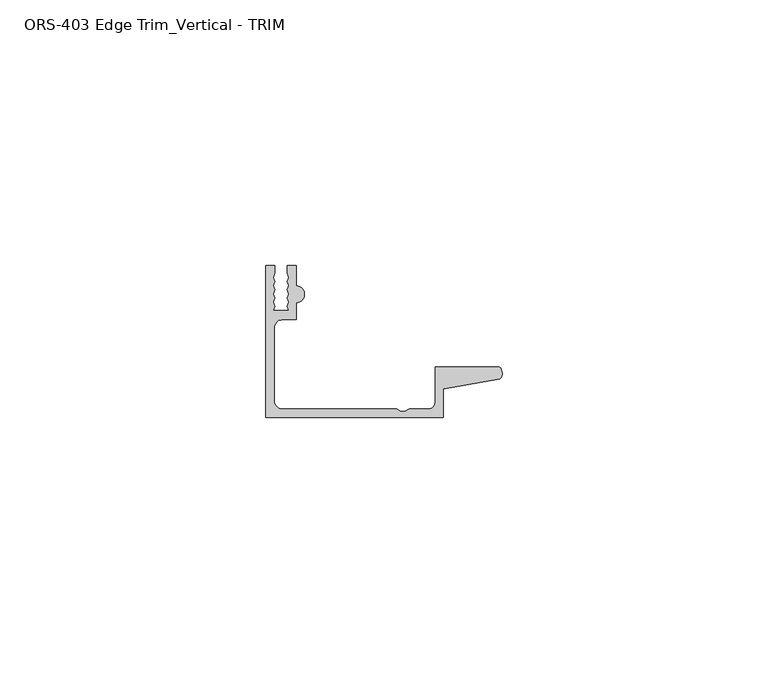
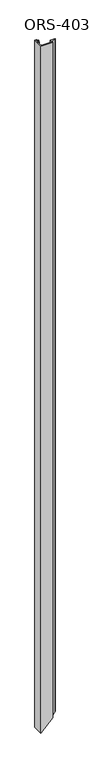
"""IFC4 building model written with IfcOpenShell, lengths in millimetres: proxy geometry, ORS-403 Edge Trim_Vertical - TRIM."""

from ifc_helpers import new_model, si_unit, frame, origin, place, context, project, spatial, polyline, circle_curve, ellipse_curve, source, transform, mapped, element, save
from ifc_brep_helpers import plane_surface, cylinder_surface, revolved_surface, advanced_brep


def ors_403_edge_trim_vertical_trim_db41b70e(model_context):
    return source(origin(), model_context, "Body", "AdvancedBrep", [
        advanced_brep(
        [(0.0, -19.6849659, 2004.3179687), (33.4151698, -19.6849659, 2004.3179687), (33.4151698, -14.292309, 2004.3179687), (43.9912567, -12.4813352, 2004.3179687), (43.9251729, -10.1599659, 2004.3179687), (31.8403698, -10.1599659, 2004.3179687), (31.8403698, -16.8401659, 2004.3179687), (30.5703698, -18.1101659, 2004.3179687), (26.9486086, -18.1101659, 2004.3179687), (26.1600648, -18.5286393, 2004.3179687), (25.3762055, -18.5286393, 2004.3179687), (24.5876618, -18.1101659, 2004.3179687), (3.1623, -18.1101659, 2004.3179687), (1.5748, -16.5226659, 2004.3179687), (1.5748, -2.8574659, 2004.3179687), (3.1623, -1.2699659, 2004.3179687), (5.6896, -1.2699659, 2004.3179687), (5.6896, 1.9177341, 2004.3179687), (5.6896, 5.0673341, 2004.3179687), (5.6896, 8.8900341, 2004.3179687), (4.0500705, 8.8900341, 2004.3179687), (4.0500705, 7.4768015, 2004.3179687), (4.3039002, 6.695594, 2004.3179687), (4.0500705, 5.9143865, 2004.3179687), (4.3039002, 5.133179, 2004.3179687), (4.0500705, 4.3519716, 2004.3179687), (4.3039002, 3.5707641, 2004.3179687), (4.0500705, 2.7895566, 2004.3179687), (4.3039002, 2.0083491, 2004.3179687), (4.0500705, 1.2271416, 2004.3179687), (4.3039002, 0.4459342, 2004.3179687), (1.3857004, 0.4459342, 2004.3179687), (1.6395301, 1.2271416, 2004.3179687), (1.3857004, 2.0083491, 2004.3179687), (1.6395301, 2.7895566, 2004.3179687), (1.3857004, 3.5707641, 2004.3179687), (1.6395301, 4.3519716, 2004.3179687), (1.3857004, 5.133179, 2004.3179687), (1.6395301, 5.9143865, 2004.3179687), (1.3857004, 6.695594, 2004.3179687), (1.6395301, 7.4768015, 2004.3179687), (1.6395301, 8.8900341, 2004.3179687), (0.0, 8.8900341, 2004.3179687), (0.0, 8.8900341, 0.0), (0.0, -19.6849659, 0.0), (1.6395301, 8.8900341, 1.6395301), (1.6395301, 7.4768015, 1.6395301), (1.3857004, 6.695594, 1.3857004), (1.6395301, 5.9143865, 1.6395301), (1.3857004, 5.133179, 1.3857004), (1.6395301, 4.3519716, 1.6395301), (1.3857004, 3.5707641, 1.3857004), (1.6395301, 2.7895566, 1.6395301), (1.3857004, 2.0083491, 1.3857004), (1.6395301, 1.2271416, 1.6395301), (1.3857004, 0.4459342, 1.3857004), (4.3039002, 0.4459342, 4.3039002), (4.0500705, 1.2271416, 4.0500705), (4.3039002, 2.0083491, 4.3039002), (4.0500705, 2.7895566, 4.0500705), (4.3039002, 3.5707641, 4.3039002), (4.0500705, 4.3519716, 4.0500705), (4.3039002, 5.133179, 4.3039002), (4.0500705, 5.9143865, 4.0500705), (4.3039002, 6.695594, 4.3039002), (4.0500705, 7.4768015, 4.0500705), (4.0500705, 8.8900341, 4.0500705), (5.6896, 8.8900341, 5.6896), (5.6896, 5.0673341, 5.6896), (5.6896, 1.9177341, 5.6896), (5.6896, -1.2699659, 5.6896), (3.1623, -1.2699659, 3.1623), (1.5748, -2.8574659, 1.5748), (1.5748, -16.5226659, 1.5748), (3.1623, -18.1101659, 3.1623), (24.5876618, -18.1101659, 24.5876618), (25.3762055, -18.5286393, 25.3762055), (26.1600648, -18.5286393, 26.1600648), (26.9486086, -18.1101659, 26.9486086), (30.5703698, -18.1101659, 30.5703698), (31.8403698, -16.8401659, 31.8403698), (31.8403698, -10.1599659, 31.8403698), (43.9251729, -10.1599659, 43.9251729), (43.9912567, -12.4813352, 43.9912567), (33.4151698, -14.292309, 33.4151698), (33.4151698, -19.6849659, 33.4151698)],
        [
            (0, 1),
            (1, 2),
            (2, 3),
            (3, 4, circle_curve(frame((42.8344152, -11.3526424, 2004.3179687), z_axis=(0.0, 0.0, 1.0), x_axis=(1.0, 0.0, 0.0)), 1.6162393)),
            (4, 5),
            (5, 6),
            (6, 7, circle_curve(frame((30.5703698, -16.8401659, 2004.3179687), z_axis=(0.0, 0.0, -1.0), x_axis=(1.0, 0.0, 0.0)), 1.27)),
            (7, 8),
            (8, 9),
            (9, 10),
            (10, 11),
            (11, 12),
            (12, 13, circle_curve(frame((3.1623, -16.5226659, 2004.3179687), z_axis=(0.0, 0.0, -1.0), x_axis=(1.0, 0.0, 0.0)), 1.5875)),
            (13, 14),
            (14, 15, circle_curve(frame((3.1623, -2.8574659, 2004.3179687), z_axis=(0.0, 0.0, -1.0), x_axis=(1.0, 0.0, 0.0)), 1.5875)),
            (15, 16),
            (16, 17),
            (17, 18, circle_curve(frame((5.6896, 3.4925341, 2004.3179687), z_axis=(0.0, 0.0, 1.0), x_axis=(1.0, 0.0, 0.0)), 1.5748)),
            (18, 19),
            (19, 20),
            (20, 21),
            (21, 22),
            (22, 23),
            (23, 24),
            (24, 25),
            (25, 26),
            (26, 27),
            (27, 28),
            (28, 29),
            (29, 30),
            (30, 31),
            (31, 32),
            (32, 33),
            (33, 34),
            (34, 35),
            (35, 36),
            (36, 37),
            (37, 38),
            (38, 39),
            (39, 40),
            (40, 41),
            (41, 42),
            (42, 0),
            (42, 43),
            (43, 44),
            (44, 0),
            (41, 45),
            (45, 43),
            (40, 46),
            (46, 45),
            (39, 47),
            (47, 46),
            (38, 48),
            (48, 47),
            (37, 49),
            (49, 48),
            (36, 50),
            (50, 49),
            (35, 51),
            (51, 50),
            (34, 52),
            (52, 51),
            (33, 53),
            (53, 52),
            (32, 54),
            (54, 53),
            (31, 55),
            (55, 54),
            (30, 56),
            (56, 55),
            (29, 57),
            (57, 56),
            (28, 58),
            (58, 57),
            (27, 59),
            (59, 58),
            (26, 60),
            (60, 59),
            (25, 61),
            (61, 60),
            (24, 62),
            (62, 61),
            (23, 63),
            (63, 62),
            (22, 64),
            (64, 63),
            (21, 65),
            (65, 64),
            (20, 66),
            (66, 65),
            (19, 67),
            (67, 66),
            (18, 68),
            (68, 67),
            (17, 69),
            (69, 68, ellipse_curve(frame((5.6896, 3.4925341, 5.6896), z_axis=(-0.7071067811865469, 0.0, 0.7071067811865481), x_axis=(0.7071067811865481, 0.0, 0.7071067811865469)), 2.2271035, 1.5748)),
            (16, 70),
            (70, 69),
            (15, 71),
            (71, 70),
            (14, 72),
            (72, 71, ellipse_curve(frame((3.1623, -2.8574659, 3.1623), z_axis=(0.7071067811865469, 0.0, -0.7071067811865481), x_axis=(-0.7071067811865481, 0.0, -0.7071067811865469)), 2.245064, 1.5875)),
            (13, 73),
            (73, 72),
            (12, 74),
            (74, 73, ellipse_curve(frame((3.1623, -16.5226659, 3.1623), z_axis=(0.7071067811865469, 0.0, -0.7071067811865481), x_axis=(-0.7071067811865481, 0.0, -0.7071067811865469)), 2.245064, 1.5875)),
            (11, 75),
            (75, 74),
            (10, 76),
            (76, 75),
            (9, 77),
            (77, 76),
            (8, 78),
            (78, 77),
            (7, 79),
            (79, 78),
            (6, 80),
            (80, 79, ellipse_curve(frame((30.5703698, -16.8401659, 30.5703698), z_axis=(0.7071067811865469, 0.0, -0.7071067811865481), x_axis=(-0.7071067811865481, 0.0, -0.7071067811865469)), 1.7960512, 1.27)),
            (5, 81),
            (81, 80),
            (4, 82),
            (82, 81),
            (3, 83),
            (83, 82, ellipse_curve(frame((42.8344152, -11.3526424, 42.8344152), z_axis=(-0.7071067811865469, 0.0, 0.7071067811865481), x_axis=(0.7071067811865481, 0.0, 0.7071067811865469)), 2.2857076, 1.6162393)),
            (2, 84),
            (84, 83),
            (1, 85),
            (85, 84),
            (44, 85),
        ],
        [
            plane_surface(frame((0.0, 8.8900341, 2004.3179687), z_axis=(0.0, 0.0, 1.0), x_axis=(0.0, 1.0, 0.0))),
            plane_surface(frame((0.0, -19.6849659, 2004.3179687), z_axis=(-1.0, 0.0, 0.0), x_axis=(0.0, 0.0, -1.0))),
            plane_surface(frame((0.0, 8.8900341, 2004.3179687), z_axis=(0.0, 1.0, 0.0), x_axis=(0.0, 0.0, -1.0))),
            plane_surface(frame((1.6395301, 8.8900341, 2004.3179687), z_axis=(1.0, 0.0, 0.0), x_axis=(0.0, 0.0, -1.0))),
            plane_surface(frame((1.6395301, 7.4768015, 2004.3179687), z_axis=(0.9510565162951495, -0.30901699437496005, 0.0), x_axis=(0.0, 0.0, -1.0))),
            plane_surface(frame((1.3857004, 6.695594, 2004.3179687), z_axis=(0.9510565162951546, 0.30901699437494434, 0.0), x_axis=(0.0, 0.0, -1.0))),
            plane_surface(frame((1.6395301, 5.9143865, 2004.3179687), z_axis=(0.9510565162951493, -0.3090169943749606, 0.0), x_axis=(0.0, 0.0, -1.0))),
            plane_surface(frame((1.3857004, 5.133179, 2004.3179687), z_axis=(0.9510565162951459, 0.3090169943749711, 0.0), x_axis=(0.0, 0.0, -1.0))),
            plane_surface(frame((1.6395301, 4.3519716, 2004.3179687), z_axis=(0.9510565162951357, -0.3090169943750027, 0.0), x_axis=(0.0, 0.0, -1.0))),
            plane_surface(frame((1.3857004, 3.5707641, 2004.3179687), z_axis=(0.9510565162951548, 0.30901699437494373, 0.0), x_axis=(0.0, 0.0, -1.0))),
            plane_surface(frame((1.6395301, 2.7895566, 2004.3179687), z_axis=(0.951056516295149, -0.3090169943749616, 0.0), x_axis=(0.0, 0.0, -1.0))),
            plane_surface(frame((1.3857004, 2.0083491, 2004.3179687), z_axis=(0.9510565162951568, 0.309016994374938, 0.0), x_axis=(0.0, 0.0, -1.0))),
            plane_surface(frame((1.6395301, 1.2271416, 2004.3179687), z_axis=(0.9510565162951492, -0.3090169943749611, 0.0), x_axis=(0.0, 0.0, -1.0))),
            plane_surface(frame((1.3857004, 0.4459342, 2004.3179687), z_axis=(0.0, 1.0, 0.0), x_axis=(0.0, 0.0, -1.0))),
            plane_surface(frame((4.3039002, 0.4459342, 2004.3179687), z_axis=(-0.9510565162951503, -0.30901699437495767, 0.0), x_axis=(0.0, 0.0, -1.0))),
            plane_surface(frame((4.0500705, 1.2271416, 2004.3179687), z_axis=(-0.9510565162951559, 0.3090169943749404, 0.0), x_axis=(0.0, 0.0, -1.0))),
            plane_surface(frame((4.3039002, 2.0083491, 2004.3179687), z_axis=(-0.9510565162918149, -0.30901699438522306, 0.0), x_axis=(0.0, 0.0, -1.0))),
            plane_surface(frame((4.0500705, 2.7895566, 2004.3179687), z_axis=(-0.9510565162917888, 0.3090169943853031, 0.0), x_axis=(0.0, 0.0, -1.0))),
            plane_surface(frame((4.3039002, 3.5707641, 2004.3179687), z_axis=(-0.9510565162951367, -0.3090169943749994, 0.0), x_axis=(0.0, 0.0, -1.0))),
            plane_surface(frame((4.0500705, 4.3519716, 2004.3179687), z_axis=(-0.951056516295145, 0.30901699437497376, 0.0), x_axis=(0.0, 0.0, -1.0))),
            plane_surface(frame((4.3039002, 5.133179, 2004.3179687), z_axis=(-0.9510565162951503, -0.30901699437495755, 0.0), x_axis=(0.0, 0.0, -1.0))),
            plane_surface(frame((4.0500705, 5.9143865, 2004.3179687), z_axis=(-0.9510565162951536, 0.3090169943749477, 0.0), x_axis=(0.0, 0.0, -1.0))),
            plane_surface(frame((4.3039002, 6.695594, 2004.3179687), z_axis=(-0.9510565162951506, -0.3090169943749566, 0.0), x_axis=(0.0, 0.0, -1.0))),
            plane_surface(frame((4.0500705, 7.4768015, 2004.3179687), z_axis=(-1.0, 0.0, 0.0), x_axis=(0.0, 0.0, -1.0))),
            plane_surface(frame((4.0500705, 8.8900341, 2004.3179687), z_axis=(0.0, 1.0, 0.0), x_axis=(0.0, 0.0, -1.0))),
            plane_surface(frame((5.6896, 8.8900341, 2004.3179687), z_axis=(1.0, 0.0, 0.0), x_axis=(0.0, 0.0, -1.0))),
            cylinder_surface(frame((5.6896, 3.4925341, 0.0), z_axis=(0.0, 0.0, 1.0), x_axis=(1.0, 0.0, 0.0)), 1.5748),
            plane_surface(frame((5.6896, 1.9177341, 2004.3179687), z_axis=(1.0, 0.0, 0.0), x_axis=(0.0, 0.0, -1.0))),
            plane_surface(frame((5.6896, -1.2699659, 2004.3179687), z_axis=(0.0, -1.0, 0.0), x_axis=(0.0, 0.0, -1.0))),
            revolved_surface(polyline([(4.7498000000000005, -2.8574659, 1.5748), (4.7498000000000005, -2.8574659, 2004.3179687)]), (3.1623, -2.8574659, 0.0), (0.0, 0.0, -1.0)),
            plane_surface(frame((1.5748, -2.8574659, 2004.3179687), z_axis=(1.0, 0.0, 0.0), x_axis=(0.0, 0.0, -1.0))),
            revolved_surface(polyline([(4.7498000000000005, -16.5226659, 1.5748), (4.7498000000000005, -16.5226659, 2004.3179687)]), (3.1623, -16.5226659, 0.0), (0.0, 0.0, -1.0)),
            plane_surface(frame((3.1623, -18.1101659, 2004.3179687), z_axis=(0.0, 1.0, 0.0), x_axis=(0.0, 0.0, -1.0))),
            plane_surface(frame((24.5876618, -18.1101659, 2004.3179687), z_axis=(0.46877036221295537, 0.8833200708184631, 0.0), x_axis=(0.0, 0.0, -1.0))),
            plane_surface(frame((25.3762055, -18.5286393, 2004.3179687), z_axis=(0.0, 1.0, 0.0), x_axis=(0.0, 0.0, -1.0))),
            plane_surface(frame((26.1600648, -18.5286393, 2004.3179687), z_axis=(-0.46877036221480195, 0.8833200708174832, 0.0), x_axis=(0.0, 0.0, -1.0))),
            plane_surface(frame((26.9486086, -18.1101659, 2004.3179687), z_axis=(1.593635278475226e-12, 1.0, 0.0), x_axis=(0.0, 0.0, -1.0))),
            revolved_surface(polyline([(31.8403698, -16.8401659, 29.300369817121766), (31.8403698, -16.8401659, 2004.3179687)]), (30.5703698, -16.8401659, 0.0), (0.0, 0.0, -1.0)),
            plane_surface(frame((31.8403698, -16.8401659, 2004.3179687), z_axis=(-1.0, -1.298707655988294e-12, 0.0), x_axis=(0.0, 0.0, -1.0))),
            plane_surface(frame((31.8403698, -10.1599659, 2004.3179687), z_axis=(0.0, 1.0, 0.0), x_axis=(0.0, 0.0, -1.0))),
            cylinder_surface(frame((42.8344152, -11.3526424, 0.0), z_axis=(0.0, 0.0, 1.0), x_axis=(1.0, 0.0, 0.0)), 1.6162393),
            plane_surface(frame((43.9912567, -12.4813352, 2004.3179687), z_axis=(0.1687764314060245, -0.9856543593987943, 0.0), x_axis=(0.0, 0.0, -1.0))),
            plane_surface(frame((33.4151698, -14.292309, 2004.3179687), z_axis=(1.0, 0.0, 0.0), x_axis=(0.0, 0.0, -1.0))),
            plane_surface(frame((33.4151698, -19.6849659, 2004.3179687), z_axis=(0.0, -1.0, 0.0), x_axis=(0.0, 0.0, -1.0))),
            plane_surface(frame((45.3831812, 8.8900341, 45.3831812), z_axis=(0.7071067811865469, 0.0, -0.7071067811865481), x_axis=(0.0, -1.0, 0.0))),
        ],
        [
            (0, [[1, 2, 3, 4, 5, 6, 7, 8, 9, 10, 11, 12, 13, 14, 15, 16, 17, 18, 19, 20, 21, 22, 23, 24, 25, 26, 27, 28, 29, 30, 31, 32, 33, 34, 35, 36, 37, 38, 39, 40, 41, 42, 43]]),
            (1, [[44, 45, 46, -43]]),
            (2, [[47, 48, -44, -42]]),
            (3, [[49, 50, -47, -41]]),
            (4, [[51, 52, -49, -40]]),
            (5, [[53, 54, -51, -39]]),
            (6, [[55, 56, -53, -38]]),
            (7, [[57, 58, -55, -37]]),
            (8, [[59, 60, -57, -36]]),
            (9, [[61, 62, -59, -35]]),
            (10, [[63, 64, -61, -34]]),
            (11, [[65, 66, -63, -33]]),
            (12, [[67, 68, -65, -32]]),
            (13, [[69, 70, -67, -31]]),
            (14, [[71, 72, -69, -30]]),
            (15, [[73, 74, -71, -29]]),
            (16, [[75, 76, -73, -28]]),
            (17, [[77, 78, -75, -27]]),
            (18, [[79, 80, -77, -26]]),
            (19, [[81, 82, -79, -25]]),
            (20, [[83, 84, -81, -24]]),
            (21, [[85, 86, -83, -23]]),
            (22, [[87, 88, -85, -22]]),
            (23, [[89, 90, -87, -21]]),
            (24, [[91, 92, -89, -20]]),
            (25, [[93, 94, -91, -19]]),
            (26, [[95, 96, -93, -18]]),
            (27, [[97, 98, -95, -17]]),
            (28, [[99, 100, -97, -16]]),
            (29, [[101, 102, -99, -15]]),
            (30, [[103, 104, -101, -14]]),
            (31, [[105, 106, -103, -13]]),
            (32, [[107, 108, -105, -12]]),
            (33, [[109, 110, -107, -11]]),
            (34, [[111, 112, -109, -10]]),
            (35, [[113, 114, -111, -9]]),
            (36, [[115, 116, -113, -8]]),
            (37, [[117, 118, -115, -7]]),
            (38, [[119, 120, -117, -6]]),
            (39, [[121, 122, -119, -5]]),
            (40, [[123, 124, -121, -4]]),
            (41, [[125, 126, -123, -3]]),
            (42, [[127, 128, -125, -2]]),
            (43, [[-46, 129, -127, -1]]),
            (44, [[-48, -50, -52, -54, -56, -58, -60, -62, -64, -66, -68, -70, -72, -74, -76, -78, -80, -82, -84, -86, -88, -90, -92, -94, -96, -98, -100, -102, -104, -106, -108, -110, -112, -114, -116, -118, -120, -122, -124, -126, -128, -129, -45]]),
        ],
    ),
    ])


if __name__ == "__main__":
    model = new_model("IFC4")
    model_context = context("Model", 3, world=origin())
    ifc_project = project(units=[si_unit("LENGTHUNIT", "METRE", prefix="MILLI")], contexts=[model_context])
    site = spatial("IfcSite", under=ifc_project)
    building = spatial("IfcBuilding", under=site)
    placement = place(None, origin())
    ors_403_edge_trim_vertical_trim_shape = ors_403_edge_trim_vertical_trim_db41b70e(model_context)
    element("IfcBuildingElementProxy", 1, Name="ORS-403 Edge Trim_Vertical - TRIM", ObjectType="ORS-403 Edge Trim_Vertical - TRIM", at=placement, inside=building, context=model_context, shape_type="MappedRepresentation", body=[
        mapped(ors_403_edge_trim_vertical_trim_shape, transform((0.0, 0.0, 0.0), x_axis=(1.0, 0.0, 0.0), y_axis=(0.0, 1.0, 0.0), z_axis=(0.0, 0.0, 1.0))),
    ])
    save(model, "model.ifc")
